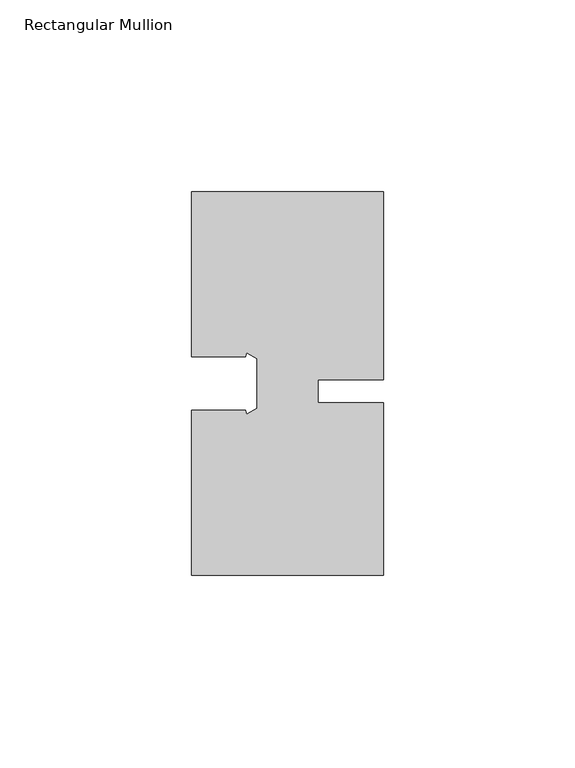
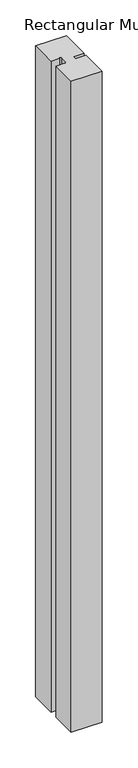
"""IFC4 building model written with IfcOpenShell, lengths in millimetres: member geometry, Rectangular Mullion."""

from ifc_helpers import new_model, si_unit, frame, origin, place, context, project, spatial, polyline, outline, extrude, source, transform, mapped, element, save


def rectangular_mullion_4c9259f5(model_context):
    return source(origin(), model_context, "Body", "SweptSolid", [
        extrude(outline(polyline([(8.0004617, -3.0000086), (25.0, -3.0000007), (25.0000209, -48.0000007), (-24.9999791, -48.000024), (-24.9999791, -5.0000444), (-11.0000028, -5.0000444), (-10.7320523, -6.0000511), (-8.0, -4.4227016), (-8.0, 8.4226304), (-10.7320448, 9.9999789), (-11.0000008, 8.9999556), (-24.9999791, 8.9999556), (-24.9999791, 51.9999711), (24.9999743, 51.9999993), (24.9999972, 3.0000166), (8.0004589, 3.0000086), (8.0004617, -3.0000086)])), frame((0.0, 0.0, -1112.4999877), z_axis=(0.0, 0.0, 1.0), x_axis=(1.0, 0.0, 0.0)), (0.0, 0.0, 1.0), 1112.4999877),
    ])


if __name__ == "__main__":
    model = new_model("IFC4")
    model_context = context("Model", 3, world=origin())
    ifc_project = project(units=[si_unit("LENGTHUNIT", "METRE", prefix="MILLI")], contexts=[model_context])
    site = spatial("IfcSite", under=ifc_project)
    building = spatial("IfcBuilding", under=site)
    placement = place(None, origin())
    rectangular_mullion_shape = rectangular_mullion_4c9259f5(model_context)
    element("IfcMember", 1, ObjectType="Rectangular Mullion", at=placement, inside=building, context=model_context, shape_type="MappedRepresentation", body=[
        mapped(rectangular_mullion_shape, transform((0.0, 0.0, 0.0), x_axis=(1.0, 0.0, 0.0), y_axis=(0.0, 1.0, 0.0), z_axis=(0.0, 0.0, 1.0))),
    ])
    save(model, "model.ifc")
